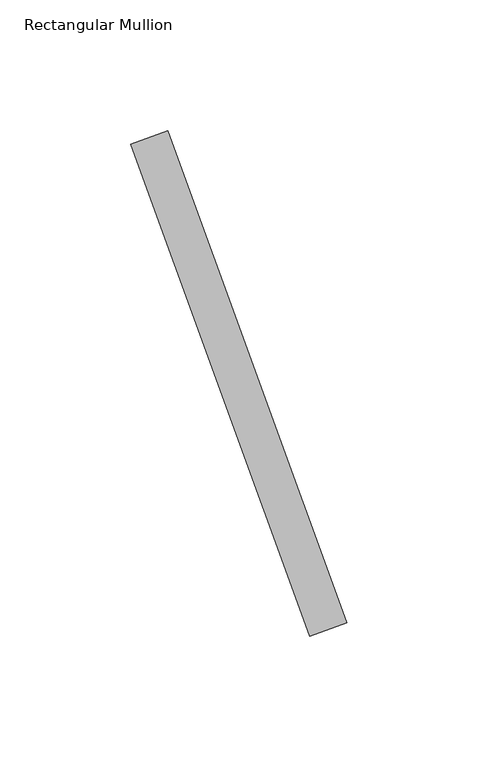
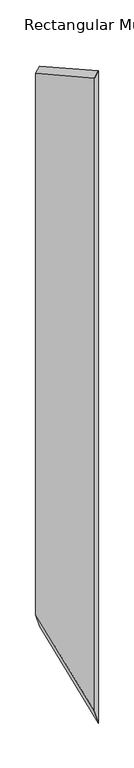
"""IFC4 building model written with IfcOpenShell, lengths in millimetres: member geometry, Rectangular Mullion."""

import ifcopenshell
import ifcopenshell.guid

model = None  # the IFC model being written
_history = None  # IfcOwnerHistory: only IFC2X3 demands one
_inside = {}  # id of a spatial element -> (the spatial element, [elements in it])
_under = {}  # id of a project, library or spatial element -> (it, [spatial elements below it])
_declared = {}  # id of a project -> (the project, [libraries it declares])
_typed = {}  # id of a type object -> (the type object, [elements of that type])
_made_of = {}  # id of a material, layer set ... -> (it, [elements and type objects made of it])


def new_model(schema):
    """Start an empty IFC model of exactly this schema.

    Asked for "IFC4X3", IfcOpenShell would pick the latest addendum, in which some entities
    have other attributes; the version numbers below select the first issue.
    IFC2X3 requires an IfcOwnerHistory on every rooted entity: one is made here for all.
    """
    global model, _history
    if schema == "IFC4X3":
        model = ifcopenshell.file(schema_version=(4, 3, 0, 0))
    else:
        model = ifcopenshell.file(schema=schema)
    _inside.clear()
    _under.clear()
    _declared.clear()
    _typed.clear()
    _made_of.clear()
    _history = None
    if model.schema == "IFC2X3":
        org = make("IfcOrganization", Name="unknown")
        user = make(
            "IfcPersonAndOrganization",
            ThePerson=make("IfcPerson", FamilyName="unknown"),
            TheOrganization=org,
        )
        app = make(
            "IfcApplication",
            ApplicationDeveloper=org,
            Version="unknown",
            ApplicationFullName="unknown",
            ApplicationIdentifier="unknown",
        )
        _history = make(
            "IfcOwnerHistory",
            OwningUser=user,
            OwningApplication=app,
            ChangeAction="ADDED",
            CreationDate=0,
        )
    return model


def make(cls, **values):
    """One entity of the class cls with the attributes given. An attribute that is None is left unset."""
    return model.create_entity(
        cls, **{name: value for name, value in values.items() if value is not None}
    )


def rooted(cls, **values):
    """An entity with a GlobalId (a new one), such as an element, a storey or a relation."""
    return make(cls, GlobalId=ifcopenshell.guid.new(), OwnerHistory=_history, **values)


def si_unit(unit_type, name, prefix=None):
    """IfcSIUnit, for example si_unit("LENGTHUNIT", "METRE", prefix="MILLI")."""
    return make("IfcSIUnit", UnitType=unit_type, Prefix=prefix, Name=name)


def assignment(units):
    """IfcUnitAssignment: the units of a project."""
    return None if units is None else make("IfcUnitAssignment", Units=units)


def point(xyz):
    """IfcCartesianPoint."""
    return None if xyz is None else make("IfcCartesianPoint", Coordinates=xyz)


def direction(xyz):
    """IfcDirection."""
    return None if xyz is None else make("IfcDirection", DirectionRatios=xyz)


def frame(location, z_axis=None, x_axis=None):
    """IfcAxis2Placement3D, a coordinate frame: its origin and axes. An axis left out is left unset."""
    return make(
        "IfcAxis2Placement3D",
        Location=point(location),
        Axis=direction(z_axis),
        RefDirection=direction(x_axis),
    )


def origin():
    """The frame at (0, 0, 0) with its axes left unset."""
    return frame((0.0, 0.0, 0.0))


def place(relative_to, where):
    """IfcLocalPlacement: puts the frame where relative to a parent placement (None: the world)."""
    return make(
        "IfcLocalPlacement", PlacementRelTo=relative_to, RelativePlacement=where
    )


def context(
    kind, dimensions, precision=None, world=None, true_north=None, identifier=None
):
    """IfcGeometricRepresentationContext, for example the 3D "Model" context."""
    return make(
        "IfcGeometricRepresentationContext",
        ContextIdentifier=identifier,
        ContextType=kind,
        CoordinateSpaceDimension=dimensions,
        Precision=precision,
        WorldCoordinateSystem=world,
        TrueNorth=true_north,
    )


def project(units=None, contexts=None):
    """IfcProject with its units and contexts."""
    return rooted(
        "IfcProject",
        Name="project",
        RepresentationContexts=contexts,
        UnitsInContext=assignment(units),
    )


def spatial(cls, under=None, at=None, **own):
    """A site, building, storey or space (cls), placed at a placement, below another one or the project."""
    s = rooted(cls, ObjectPlacement=at, **own)
    if under is not None:
        _under.setdefault(under.id(), (under, []))[1].append(s)
    return s


def faces_of(points, faces, orient=None, outer=None):
    """IfcFace entities. A face is a list of loops; a loop is a list of indices into points, from 0.

    orient and outer hold one flag for each loop. By default every Orientation is true, the
    first loop of a face is its IfcFaceOuterBound and the others are IfcFaceBound.
    """
    made = []
    for i, loops in enumerate(faces):
        bounds = []
        for j, loop in enumerate(loops):
            is_outer = j == 0 if outer is None else outer[i][j]
            bounds.append(
                make(
                    "IfcFaceOuterBound" if is_outer else "IfcFaceBound",
                    Bound=make("IfcPolyLoop", Polygon=[points[k] for k in loop]),
                    Orientation=True if orient is None else orient[i][j],
                )
            )
        made.append(make("IfcFace", Bounds=bounds))
    return made


def faceted_brep(points, faces, orient=None, outer=None, voids=None):
    """IfcFacetedBrep: a solid bounded by flat faces; with voids (closed shells), ...WithVoids."""
    shared = [point(p) for p in points]
    hull = make("IfcClosedShell", CfsFaces=faces_of(shared, faces, orient, outer))
    if voids is None:
        return make("IfcFacetedBrep", Outer=hull)
    return make(
        "IfcFacetedBrepWithVoids",
        Outer=hull,
        Voids=[
            make(cls, CfsFaces=faces_of(shared, fs, o, b)) for cls, fs, o, b in voids
        ],
    )


def shape(context_of_items, identifier, shape_type, items):
    """IfcShapeRepresentation: the items that make up one representation, for example the "Body"."""
    return make(
        "IfcShapeRepresentation",
        ContextOfItems=context_of_items,
        RepresentationIdentifier=identifier,
        RepresentationType=shape_type,
        Items=items,
    )


def source(mapping_origin, context_of_items, identifier, shape_type, items):
    """IfcRepresentationMap: a shape defined once, which mapped items show again and again."""
    return make(
        "IfcRepresentationMap",
        MappingOrigin=mapping_origin,
        MappedRepresentation=shape(context_of_items, identifier, shape_type, items),
    )


def transform(
    local_origin,
    x_axis=None,
    y_axis=None,
    z_axis=None,
    scale=None,
    scale2=None,
    scale3=None,
    uniform=True,
):
    """IfcCartesianTransformationOperator3D, or its non-uniform kind. x_axis, y_axis, z_axis: its Axis1, 2, 3."""
    if uniform:
        return make(
            "IfcCartesianTransformationOperator3D",
            Axis1=direction(x_axis),
            Axis2=direction(y_axis),
            LocalOrigin=point(local_origin),
            Scale=scale,
            Axis3=direction(z_axis),
        )
    return make(
        "IfcCartesianTransformationOperator3DnonUniform",
        Axis1=direction(x_axis),
        Axis2=direction(y_axis),
        LocalOrigin=point(local_origin),
        Scale=scale,
        Axis3=direction(z_axis),
        Scale2=scale2,
        Scale3=scale3,
    )


def mapped(mapping_source, mapping_target):
    """IfcMappedItem: shows the shape of a source again, moved by a transform."""
    return make(
        "IfcMappedItem", MappingSource=mapping_source, MappingTarget=mapping_target
    )


def made_of(thing, what):
    """Note that an element or type object is made of a material, layer set ...; save() writes the relation."""
    if what is not None:
        _made_of.setdefault(what.id(), (what, []))[1].append(thing)
    return thing


def element(
    cls,
    number,
    at=None,
    inside=None,
    cuts=None,
    type_object=None,
    material=None,
    context=None,
    identifier="Body",
    shape_type=None,
    held_by="IfcProductDefinitionShape",
    body=None,
    shapes=None,
    **own,
):
    """One element of the class cls, such as IfcWall. Its Tag is "e" and its number.

    at: its placement. inside: the storey or other place that contains it. cuts: it is an
    opening in that element (IfcRelVoidsElement). A single representation is given by context,
    identifier, shape_type and body (its items); several are given by shapes. held_by: the class
    of the entity that holds the representations. save() writes the other relations.
    """
    e = rooted(cls, Tag="e%d" % number, ObjectPlacement=at, **own)
    if body is not None:
        shapes = [shape(context, identifier, shape_type, body)]
    if shapes is not None:
        e.Representation = make(held_by, Representations=shapes)
    if inside is not None:
        _inside.setdefault(inside.id(), (inside, []))[1].append(e)
    if cuts is not None:
        rooted(
            "IfcRelVoidsElement", RelatingBuildingElement=cuts, RelatedOpeningElement=e
        )
    if type_object is not None:
        _typed.setdefault(type_object.id(), (type_object, []))[1].append(e)
    return made_of(e, material)


def aggregate(whole, parts):
    """IfcRelAggregates: a whole, such as a stair, and the parts it consists of."""
    return rooted("IfcRelAggregates", RelatingObject=whole, RelatedObjects=parts)


def save(model, path):
    """Write the relations noted so far, then the file.

    IfcRelAggregates (storeys below a building ...), IfcRelContainedInSpatialStructure (elements
    in a storey), IfcRelDefinesByType, IfcRelAssociatesMaterial and IfcRelDeclares: one each for
    every whole, place, type object, material and project.
    """
    for whole, parts in _under.values():
        aggregate(whole, parts)
    for where, things in _inside.values():
        rooted(
            "IfcRelContainedInSpatialStructure",
            RelatedElements=things,
            RelatingStructure=where,
        )
    for kind, things in _typed.values():
        rooted("IfcRelDefinesByType", RelatedObjects=things, RelatingType=kind)
    for what, things in _made_of.values():
        rooted("IfcRelAssociatesMaterial", RelatedObjects=things, RelatingMaterial=what)
    for by, libraries in _declared.values():
        rooted("IfcRelDeclares", RelatingContext=by, RelatedDefinitions=libraries)
    model.write(path)


def rectangular_mullion_81dca898(model_context):
    return source(origin(), model_context, "Body", "Brep", [
        faceted_brep([(-19.0607062, 52.36886, -20.8524272), (-33.1560955, 47.2385578, -36.2727939), (-33.1560955, 47.2385578, -2045.5079337), (-19.0607062, 52.36886, -2090.2977796), (-87.4647349, 240.3073841, -95.686487), (-87.4647349, 240.3073841, -1872.9355039), (-101.5601242, 235.177082, -111.1068537), (-101.5601242, 235.177082, -1828.145658)], [[[0, 1, 2, 3]], [[4, 0, 3, 5]], [[6, 4, 5, 7]], [[1, 6, 7, 2]], [[1, 0, 4, 6]], [[2, 7, 5, 3]]]),
    ])


if __name__ == "__main__":
    model = new_model("IFC4")
    model_context = context("Model", 3, world=origin())
    ifc_project = project(units=[si_unit("LENGTHUNIT", "METRE", prefix="MILLI")], contexts=[model_context])
    site = spatial("IfcSite", under=ifc_project)
    building = spatial("IfcBuilding", under=site)
    placement = place(None, origin())
    rectangular_mullion_shape = rectangular_mullion_81dca898(model_context)
    element("IfcMember", 1, ObjectType="Rectangular Mullion", at=placement, inside=building, context=model_context, shape_type="MappedRepresentation", body=[
        mapped(rectangular_mullion_shape, transform((0.0, 0.0, 0.0), x_axis=(1.0, 0.0, 0.0), y_axis=(0.0, 1.0, 0.0), z_axis=(0.0, 0.0, 1.0))),
    ])
    save(model, "model.ifc")
